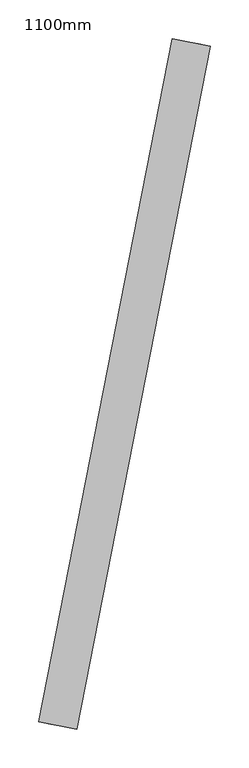
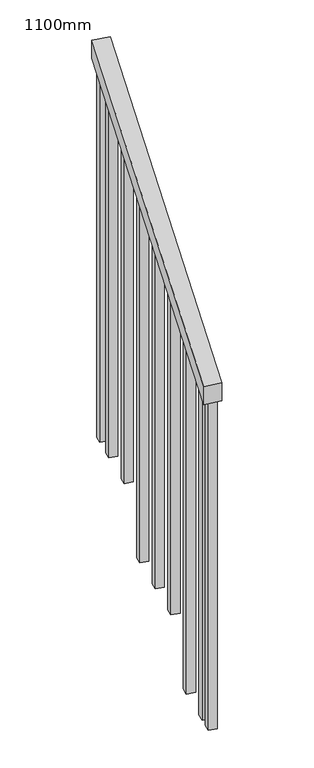
"""IFC4 building model written with IfcOpenShell, lengths in millimetres: railing geometry, 1100mm."""

from ifc_helpers import new_model, si_unit, frame, origin, place, context, project, spatial, polyline, outline, extrude, source, transform, mapped, element, save


def railing_1100mm_29f2fada(model_context):
    return source(origin(), model_context, "Body", "SweptSolid", [
        extrude(outline(polyline([(28.3261665, -50.0), (0.0, 0.0), (1033.3328709, 1e-07), (1061.6590375, -50.0), (28.3261665, -50.0)])), frame((-245640.8156438, -61376.4255387, 1212.5337342), z_axis=(-0.9814663616531207, 0.19163449831224488, 0.0), x_axis=(0.16673651530568995, 0.8539500062517651, 0.4929181689553814)), (0.0, 0.0, 1.0), 50.0),
        extrude(outline(polyline([(107.0815416, 0.0), (1262.8339404, 0.0), (1262.8339404, -25.0000001), (92.9184583, -25.0000001), (107.0815416, 0.0)])), frame((-245499.7763747, -60588.8570182, 1772.8339404), z_axis=(-0.9814663616531207, 0.19163449831224488, 0.0), x_axis=(0.0, 0.0, -1.0)), (0.0, 0.0, 1.0), 25.0),
        extrude(outline(polyline([(107.0815416, 0.0), (1192.0185241, 0.0), (1192.0185241, -25.0), (92.9184584, -25.0), (107.0815416, 0.0)])), frame((-245523.730687, -60711.5403134, 1702.0185241), z_axis=(-0.9814663616531207, 0.19163449831224488, 0.0), x_axis=(0.0, 0.0, -1.0)), (0.0, 0.0, 1.0), 25.0),
        extrude(outline(polyline([(107.0815416, 0.0), (1291.2031077, 0.0), (1291.2031077, -25.0), (92.9184583, -25.0), (107.0815416, 0.0)])), frame((-245547.6849993, -60834.2236086, 1631.2031077), z_axis=(-0.9814663616531207, 0.19163449831224488, 0.0), x_axis=(0.0, 0.0, -1.0)), (0.0, 0.0, 1.0), 25.0),
        extrude(outline(polyline([(107.0815416, 0.0), (1220.3876914, 0.0), (1220.3876914, -24.9999999), (92.9184584, -24.9999999), (107.0815416, 0.0)])), frame((-245571.6393115, -60956.9069038, 1560.3876914), z_axis=(-0.9814663616531207, 0.19163449831224488, 0.0), x_axis=(0.0, 0.0, -1.0)), (0.0, 0.0, 1.0), 25.0),
        extrude(outline(polyline([(107.0815416, 0.0), (1149.6152758, 0.0), (1149.6152758, -24.9999999), (92.9184584, -24.9999999), (107.0815416, 0.0)])), frame((-245595.5936238, -61079.590199, 1489.6152758), z_axis=(-0.9814663616531207, 0.19163449831224488, 0.0), x_axis=(0.0, 0.0, -1.0)), (0.0, 0.0, 1.0), 25.0),
        extrude(outline(polyline([(107.0815416, 0.0), (1248.7568587, 0.0), (1248.7568587, -24.9999999), (92.9184584, -24.9999999), (107.0815416, 0.0)])), frame((-245619.5479361, -61202.2734942, 1418.7568587), z_axis=(-0.9814663616531207, 0.19163449831224488, 0.0), x_axis=(0.0, 0.0, -1.0)), (0.0, 0.0, 1.0), 25.0),
        extrude(outline(polyline([(107.0815416, 0.0), (1177.9414423, 0.0), (1177.9414423, -24.9999999), (92.9184583, -24.9999999), (107.0815416, 0.0)])), frame((-245643.5022484, -61324.9567894, 1347.9414423), z_axis=(-0.9814663616531207, 0.19163449831224488, 0.0), x_axis=(0.0, 0.0, -1.0)), (0.0, 0.0, 1.0), 25.0),
        extrude(outline(polyline([(107.0815416, 0.0), (1304.8007392, 0.0), (1304.8007392, -24.9999999), (92.9184584, -24.9999999), (107.0815416, 0.0)])), frame((-245485.5805137, -60516.1521549, 1814.8007392), z_axis=(-0.9814663616531207, 0.19163449831224488, 0.0), x_axis=(0.0, 0.0, -1.0)), (0.0, 0.0, 1.0), 25.0),
        extrude(outline(polyline([(107.0815416, 0.0), (1149.6152758, 0.0), (1149.6152758, -24.9999999), (92.9184584, -24.9999999), (107.0815416, 0.0)])), frame((-245653.0839733, -61374.0301075, 1319.6152758), z_axis=(-0.9814663616531207, 0.19163449831224488, 0.0), x_axis=(0.0, 0.0, -1.0)), (0.0, 0.0, 1.0), 25.0),
    ])


if __name__ == "__main__":
    model = new_model("IFC4")
    model_context = context("Model", 3, world=origin())
    ifc_project = project(units=[si_unit("LENGTHUNIT", "METRE", prefix="MILLI")], contexts=[model_context])
    site = spatial("IfcSite", under=ifc_project)
    building = spatial("IfcBuilding", under=site)
    placement = place(None, origin())
    railing_1100mm_shape = railing_1100mm_29f2fada(model_context)
    element("IfcRailing", 1, ObjectType="1100mm", at=placement, inside=building, context=model_context, shape_type="MappedRepresentation", body=[
        mapped(railing_1100mm_shape, transform((0.0, 0.0, 0.0), x_axis=(1.0, 0.0, 0.0), y_axis=(0.0, 1.0, 0.0), z_axis=(0.0, 0.0, 1.0))),
    ])
    save(model, "model.ifc")
